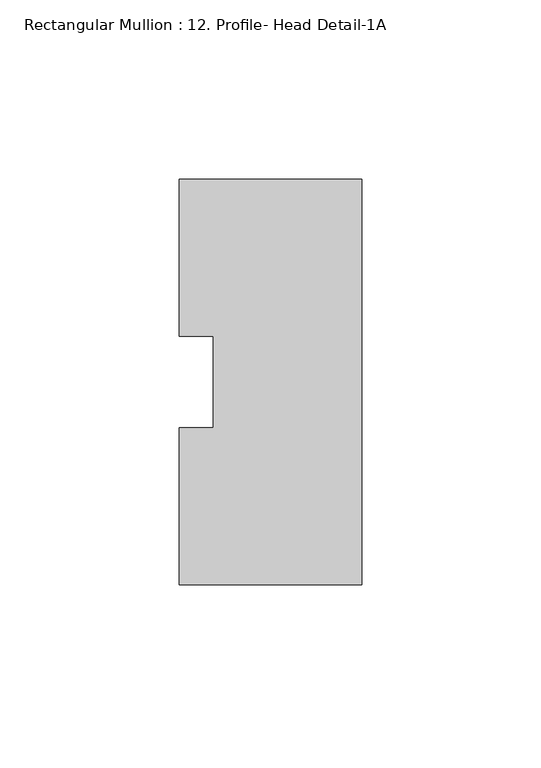
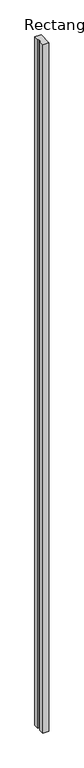
"""IFC4 building model written with IfcOpenShell, lengths in millimetres: member geometry, Rectangular Mullion : 12. Profile- Head Detail-1A."""

from ifc_helpers import new_model, si_unit, frame, origin, place, context, project, spatial, polyline, outline, extrude, source, transform, mapped, element, save


def rectangular_mullion_12_profile_head_detail_1a_be4618a7(model_context):
    return source(origin(), model_context, "Body", "SweptSolid", [
        extrude(outline(polyline([(0.0, 56.6077544), (0.0, -56.4729186), (-50.8, -56.4729186), (-50.8, -12.6652778), (-41.275, -12.6652778), (-41.275, 12.8224205), (-50.8, 12.8224205), (-50.8, 56.6077544), (0.0, 56.6077544)])), frame((0.0, 0.0, -6032.5), z_axis=(0.0, 0.0, 1.0), x_axis=(1.0, 0.0, 0.0)), (0.0, 0.0, 1.0), 6032.5),
    ])


if __name__ == "__main__":
    model = new_model("IFC4")
    model_context = context("Model", 3, world=origin())
    ifc_project = project(units=[si_unit("LENGTHUNIT", "METRE", prefix="MILLI")], contexts=[model_context])
    site = spatial("IfcSite", under=ifc_project)
    building = spatial("IfcBuilding", under=site)
    placement = place(None, origin())
    rectangular_mullion_12_profile_head_detail_1a_shape = rectangular_mullion_12_profile_head_detail_1a_be4618a7(model_context)
    element("IfcMember", 1, ObjectType="Rectangular Mullion : 12. Profile- Head Detail-1A", at=placement, inside=building, context=model_context, shape_type="MappedRepresentation", body=[
        mapped(rectangular_mullion_12_profile_head_detail_1a_shape, transform((0.0, 0.0, 0.0), x_axis=(1.0, 0.0, 0.0), y_axis=(0.0, 1.0, 0.0), z_axis=(0.0, 0.0, 1.0))),
    ])
    save(model, "model.ifc")
